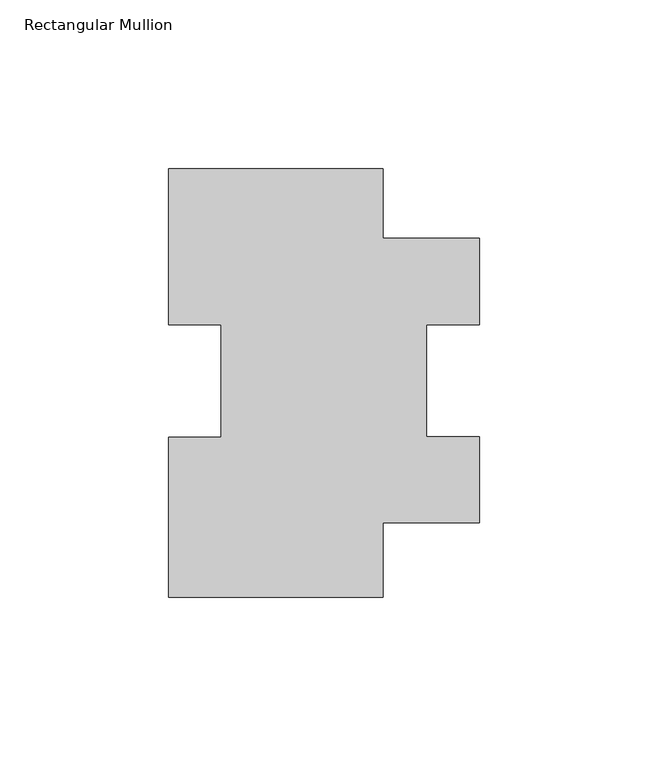
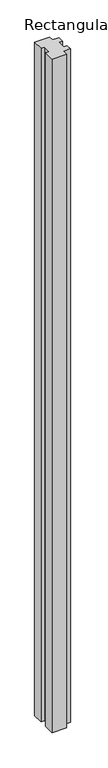
"""IFC4 building model written with IfcOpenShell, lengths in millimetres: member geometry, Rectangular Mullion."""

from ifc_helpers import new_model, si_unit, frame, origin, place, context, project, spatial, polyline, outline, extrude, source, transform, mapped, element, save


def rectangular_mullion_e05c593d(model_context):
    return source(origin(), model_context, "Body", "SweptSolid", [
        extrude(outline(polyline([(-28.575, -63.4111), (-92.075, -63.4111), (-92.075, -15.9872412), (-76.581, -15.9872412), (-76.581, 17.4076346), (-92.075, 17.4076346), (-92.075, 63.5889), (-28.575, 63.5889), (-28.575, 43.0403), (0.0, 43.0403), (0.0, 17.4076346), (-15.621, 17.4076346), (-15.621, -15.8727043), (0.0, -15.8727043), (0.0, -41.2877), (-28.575, -41.2877), (-28.575, -63.4111)])), frame((0.0, 0.0, -3048.0), z_axis=(0.0, 0.0, 1.0), x_axis=(1.0, 0.0, 0.0)), (0.0, 0.0, 1.0), 3048.0),
    ])


if __name__ == "__main__":
    model = new_model("IFC4")
    model_context = context("Model", 3, world=origin())
    ifc_project = project(units=[si_unit("LENGTHUNIT", "METRE", prefix="MILLI")], contexts=[model_context])
    site = spatial("IfcSite", under=ifc_project)
    building = spatial("IfcBuilding", under=site)
    placement = place(None, origin())
    rectangular_mullion_shape = rectangular_mullion_e05c593d(model_context)
    element("IfcMember", 1, ObjectType="Rectangular Mullion", at=placement, inside=building, context=model_context, shape_type="MappedRepresentation", body=[
        mapped(rectangular_mullion_shape, transform((0.0, 0.0, 0.0), x_axis=(1.0, 0.0, 0.0), y_axis=(0.0, 1.0, 0.0), z_axis=(0.0, 0.0, 1.0))),
    ])
    save(model, "model.ifc")
